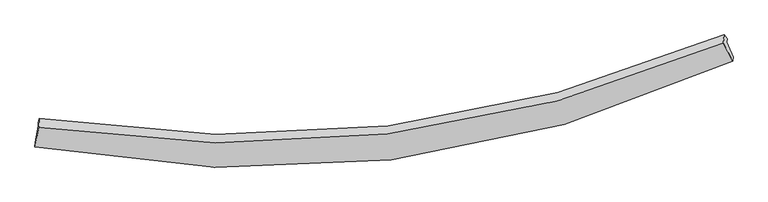
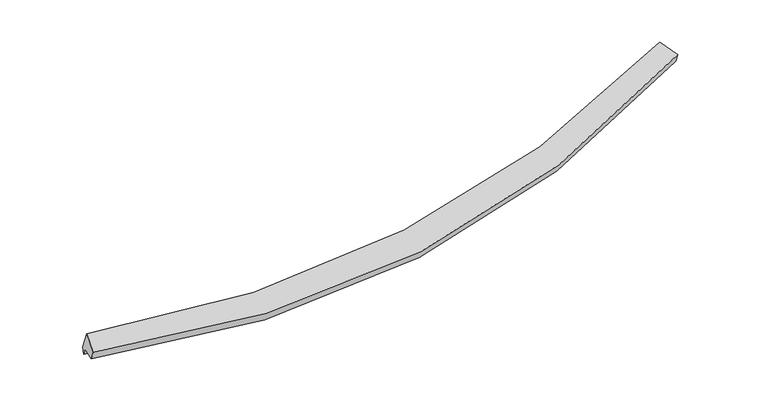
"""IFC4 building model written with IfcOpenShell, lengths in millimetres: proxy geometry."""

from ifc_helpers import new_model, si_unit, frame, origin, place, context, project, spatial, source, transform, mapped, element, save
from ifc_brep_helpers import plane_surface, spline_curve, spline_surface, advanced_brep


def generic_models_1987872d(model_context):
    return source(origin(), model_context, "Body", "AdvancedBrep", [
        advanced_brep(
        [(-6243.3807027, -2311.8928195, 1571.3977281), (-6191.8680671, -2012.8941839, 1569.6409143), (6090.9677724, -520.6842727, 2506.1095639), (6201.1653356, -782.4588055, 2526.3463461), (-6188.2562456, -1953.9399599, 1430.9019128), (6094.7920794, -458.2617396, 2359.2084715), (-6171.4990039, -1885.8668631, 1536.8457471), (6039.1350756, -387.4242064, 2475.6779882), (-6181.1664452, -2043.6643863, 1908.1960816), (6029.8173311, -539.5137789, 2833.5956061), (-6248.2557088, -2391.4654655, 1758.6587708), (6196.5707752, -857.4538565, 2702.8347769)],
        [
            (0, 1),
            (1, 2, spline_curve(3, [(-6191.8680671, -2012.8941839, 1569.6409143), (-4062.919440927, -2349.370594572, 1477.568535402), (-1978.212717339, -2394.677549165, 1508.88345735), (2116.673171602, -1901.270914084, 1819.346027623), (4126.24506187, -1358.560655224, 2100.187321996), (6090.9677724, -520.6842727, 2506.1095639)], [4, 2, 4], [0.0, 20.69716748551612, 41.53589821348474])),
            (2, 3),
            (3, 0, spline_curve(3, [(6201.1653356, -782.4588055, 2526.3463461), (4224.363723623, -1705.769200826, 2079.356151996), (2195.205103167, -2294.174066012, 1776.500353043), (-1953.685845088, -2799.450648711, 1460.135785003), (-4072.709236804, -2720.857120619, 1444.67537736), (-6243.3807027, -2311.8928195, 1571.3977281)], [4, 2, 4], [0.0, 20.838730727968624, 41.53589821348474])),
            (1, 4),
            (4, 5, spline_curve(3, [(-6188.2562456, -1953.9399599, 1430.9019128), (-4059.198561125, -2288.636264003, 1334.640348751), (-1974.419536283, -2332.763074009, 1363.177994618), (2120.537685262, -1838.192100123, 1670.900487183), (4130.108102296, -1295.505883906, 1951.798361458), (6094.7920794, -458.2617396, 2359.2084715)], [4, 2, 4], [0.0, 20.528903932478585, 41.198220228470745])),
            (5, 2),
            (4, 6),
            (6, 7, spline_curve(3, [(-6171.4990039, -1885.8668631, 1536.8457471), (-4053.078464619, -2216.793019128, 1439.948488731), (-1979.629596111, -2258.799528564, 1469.038374956), (2091.199056758, -1763.284429387, 1780.253122799), (4087.961547879, -1221.797034799, 2064.107316913), (6039.1350756, -387.4242064, 2475.6779882)], [4, 2, 4], [0.0, 20.471228413699023, 41.082474705364056])),
            (7, 5),
            (6, 8),
            (8, 9, spline_curve(3, [(-6181.1664452, -2043.6643863, 1908.1960816), (-4062.526647124, -2371.011675925, 1802.876553425), (-1988.93883248, -2410.750227252, 1826.629176752), (2082.007488164, -1913.314484334, 2133.324006755), (4078.747598951, -1372.192397531, 2418.037891963), (6029.8173311, -539.5137789, 2833.5956061)], [4, 2, 4], [0.0, 20.413607047034873, 40.96683785687458])),
            (9, 7),
            (8, 10),
            (10, 11, spline_curve(3, [(-6248.2557088, -2391.4654655, 1758.6587708), (-4077.321451103, -2796.14031776, 1621.841912101), (-1958.143003057, -2872.20294119, 1631.346255097), (2190.842905782, -2365.376354989, 1944.063146686), (4219.939952636, -1777.976529503, 2249.284140032), (6196.5707752, -857.4538565, 2702.8347769)], [4, 2, 4], [0.0, 20.639686372540446, 41.420542831670964])),
            (11, 9),
            (10, 0),
            (3, 11),
        ],
        [
            spline_surface(3, 3, [[(-6243.3807027, -2311.8928195, 1571.3977281), (-4072.709237132, -2720.857120751, 1444.675377651), (-1953.685844829, -2799.450648479, 1460.135784905), (2195.205102906, -2294.174066245, 1776.500353142), (4224.363723388, -1705.76920048, 2079.356151886), (6201.1653356, -782.4588055, 2526.3463461)], [(-6226.209824165, -2212.226607628, 1570.81212348), (-4069.445971665, -2597.028278582, 1455.639763482), (-1961.861469044, -2664.526282111, 1476.38500906), (2169.027792486, -2163.20634878, 1790.782244598), (4191.657502792, -1590.033018637, 2086.299875201), (6164.432814554, -695.200627898, 2519.600752028)], [(-6209.038945635, -2112.560395772, 1570.22651892), (-4066.182706202, -2473.199436429, 1466.604149372), (-1970.037093214, -2529.601915754, 1492.634233261), (2142.850482113, -2032.238631327, 1805.0641361), (4158.951282133, -1474.296836802, 2093.243598532), (6127.700293446, -607.942450302, 2512.855157972)], [(-6191.8680671, -2012.8941839, 1569.6409143), (-4062.919440734, -2349.37059426, 1477.568535203), (-1978.212717429, -2394.677549386, 1508.883457416), (2116.673171693, -1901.270913861, 1819.346027556), (4126.245061537, -1358.560654959, 2100.187321847), (6090.9677724, -520.6842727, 2506.1095639)]], [4, 4], [4, 2, 4], [0.0, 1.3278616273328288], [0.0, 20.69716748551612, 41.53589821348474]),
            spline_surface(3, 3, [[(-6191.8680671, -2012.8941839, 1569.6409143), (-4062.919440734, -2349.37059426, 1477.568535203), (-1978.212717429, -2394.677549386, 1508.883457416), (2116.673171693, -1901.270913861, 1819.346027556), (4126.245061537, -1358.560654959, 2100.187321847), (6090.9677724, -520.6842727, 2506.1095639)], [(-6190.664126583, -1993.242775904, 1523.394580497), (-4061.679147576, -2329.125817594, 1429.925806516), (-1976.948323794, -2374.03939089, 1460.314969751), (2117.961342997, -1880.244642618, 1769.864180824), (4127.532741855, -1337.542397869, 2050.724335096), (6092.242541393, -499.876761676, 2457.142533108)], [(-6189.460186117, -1973.591367896, 1477.148246603), (-4060.438854469, -2308.881040916, 1382.28307774), (-1975.683930209, -2353.401232445, 1411.746482098), (2119.249514251, -1859.218371425, 1720.382334102), (4128.820422195, -1316.524140752, 2001.26134832), (6093.517310407, -479.069250624, 2408.175502292)], [(-6188.2562456, -1953.9399599, 1430.9019128), (-4059.198561311, -2288.63626425, 1334.640349053), (-1974.419536573, -2332.76307395, 1363.177994433), (2120.537685555, -1838.192100182, 1670.90048737), (4130.108102513, -1295.505883662, 1951.798361569), (6094.7920794, -458.2617396, 2359.2084715)]], [4, 4], [4, 2, 4], [0.0, 0.5244720076652827], [0.0, 20.528903932478585, 41.198220228470745]),
            spline_surface(3, 3, [[(-6188.2562456, -1953.9399599, 1430.9019128), (-4059.198561311, -2288.63626425, 1334.640349053), (-1974.419536573, -2332.76307395, 1363.177994433), (2120.537685555, -1838.192100182, 1670.90048737), (4130.108102513, -1295.505883662, 1951.798361569), (6094.7920794, -458.2617396, 2359.2084715)], [(-6182.67049839, -1931.248927652, 1466.216524223), (-4057.158529136, -2264.688516007, 1369.74306229), (-1976.156223083, -2308.10855877, 1398.464787955), (2110.758142596, -1813.222876649, 1707.351365856), (4116.059250973, -1270.936267457, 1989.234680038), (6076.239744812, -434.649228526, 2398.031643727)], [(-6177.08475111, -1908.557895348, 1501.531135677), (-4055.118496889, -2240.740767709, 1404.845775557), (-1977.892909557, -2283.45404357, 1433.751581441), (2100.978599672, -1788.253653096, 1743.802244306), (4102.010399398, -1246.366651274, 2026.670998525), (6057.687410188, -411.036717474, 2436.854815973)], [(-6171.4990039, -1885.8668631, 1536.8457471), (-4053.078464714, -2216.793019466, 1439.948488794), (-1979.629596066, -2258.79952839, 1469.038374964), (2091.199056713, -1763.284429562, 1780.253122792), (4087.961547858, -1221.797035069, 2064.107316994), (6039.1350756, -387.4242064, 2475.6779882)]], [4, 4], [4, 2, 4], [0.0, 0.4330722716090651], [0.0, 20.471228413699023, 41.082474705364056]),
            spline_surface(3, 3, [[(-6171.4990039, -1885.8668631, 1536.8457471), (-4053.078464714, -2216.793019466, 1439.948488794), (-1979.629596066, -2258.79952839, 1469.038374964), (2091.199056713, -1763.284429562, 1780.253122792), (4087.961547858, -1221.797035069, 2064.107316994), (6039.1350756, -387.4242064, 2475.6779882)], [(-6174.721484306, -1938.466037508, 1660.629191926), (-4056.227858882, -2268.199238361, 1560.924510414), (-1982.732674872, -2309.44976135, 1588.235308901), (2088.135200564, -1813.294447816, 1897.943417459), (4084.890231538, -1271.928822511, 2182.084175276), (6036.029160771, -438.120730566, 2594.983860823)], [(-6177.943964794, -1991.065211892, 1784.412636774), (-4059.377253132, -2319.605457233, 1681.900532057), (-1985.835753727, -2360.099994305, 1707.432242808), (2085.071344365, -1863.304466066, 2015.633712095), (4081.818915206, -1322.060609955, 2300.061033589), (6032.923245929, -488.817254734, 2714.289733477)], [(-6181.1664452, -2043.6643863, 1908.1960816), (-4062.526647301, -2371.011676129, 1802.876553677), (-1988.938832532, -2410.750227266, 1826.629176745), (2082.007488217, -1913.31448432, 2133.324006762), (4078.747598886, -1372.192397397, 2418.037891872), (6029.8173311, -539.5137789, 2833.5956061)]], [4, 4], [4, 2, 4], [0.0, 1.2669770740653459], [0.0, 20.413607047034873, 40.96683785687458]),
            spline_surface(3, 3, [[(-6181.1664452, -2043.6643863, 1908.1960816), (-4062.526647301, -2371.011676129, 1802.876553677), (-1988.938832532, -2410.750227266, 1826.629176745), (2082.007488217, -1913.31448432, 2133.324006762), (4078.747598886, -1372.192397397, 2418.037891872), (6029.8173311, -539.5137789, 2833.5956061)], [(-6203.529533068, -2159.598079363, 1858.350311333), (-4067.458248464, -2512.721223308, 1742.531673261), (-1978.673556005, -2564.567798456, 1761.534869401), (2118.285960643, -2064.001774655, 2070.237053496), (4125.811716694, -1507.45377465, 2361.786641269), (6085.401812447, -645.493804751, 2790.008663039)], [(-6225.892620932, -2275.531772437, 1808.504541067), (-4072.389849625, -2654.430770498, 1682.186792846), (-1968.40827939, -2718.385369656, 1696.440562111), (2154.564433159, -2214.689064999, 2007.150100284), (4172.875834561, -1642.71515195, 2305.535390649), (6140.986293853, -751.473830649, 2746.421719961)], [(-6248.2557088, -2391.4654655, 1758.6587708), (-4077.321450788, -2796.140317678, 1621.84191243), (-1958.143002863, -2872.202940847, 1631.346254767), (2190.842905586, -2365.376355334, 1944.063147018), (4219.939952369, -1777.976529204, 2249.284140046), (6196.5707752, -857.4538565, 2702.8347769)]], [4, 4], [4, 2, 4], [0.0, 1.641956058120716], [0.0, 20.639686372540446, 41.420542831670964]),
            spline_surface(3, 3, [[(-6248.2557088, -2391.4654655, 1758.6587708), (-4077.321450788, -2796.140317678, 1621.84191243), (-1958.143002863, -2872.202940847, 1631.346254767), (2190.842905586, -2365.376355334, 1944.063147018), (4219.939952369, -1777.976529204, 2249.284140046), (6196.5707752, -857.4538565, 2702.8347769)], [(-6246.630706788, -2364.941250146, 1696.238423241), (-4075.784046257, -2771.045918681, 1562.786400845), (-1956.657283495, -2847.952176741, 1574.276098162), (2192.296971383, -2341.642258987, 1888.208882408), (4221.414542699, -1753.907419646, 2192.641477333), (6198.102295323, -832.455506183, 2644.005299974)], [(-6245.005704712, -2338.417034854, 1633.818075659), (-4074.246641663, -2745.951519747, 1503.730889236), (-1955.171564197, -2823.701412586, 1517.205941511), (2193.751037109, -2317.908162592, 1832.354617752), (4222.889133059, -1729.838310038, 2135.998814599), (6199.633815477, -807.457155817, 2585.175823026)], [(-6243.3807027, -2311.8928195, 1571.3977281), (-4072.709237132, -2720.857120751, 1444.675377651), (-1953.685844829, -2799.450648479, 1460.135784905), (2195.205102906, -2294.174066245, 1776.500353142), (4224.363723388, -1705.76920048, 2079.356151886), (6201.1653356, -782.4588055, 2526.3463461)]], [4, 4], [4, 2, 4], [0.0, 0.6039516543563561], [0.0, 20.867305363643425, 41.8773376685744]),
            plane_surface(frame((6108.7413949, -590.9661099, 2567.2954588), z_axis=(0.8994206967411776, 0.39335509701591304, 0.19056279260447545), x_axis=(0.43642716295449985, -0.8321128647992605, -0.34222728072299297))),
            plane_surface(frame((-6204.0710289, -2099.9539464, 1629.2735258), z_axis=(-0.9843672648670102, 0.16986411570980153, 0.046553947763519524), x_axis=(-0.02395290606817912, -0.39097307821288124, 0.9200903816493428))),
        ],
        [
            (0, [[1, 2, 3, 4]]),
            (1, [[5, 6, 7, -2]]),
            (2, [[8, 9, 10, -6]]),
            (3, [[11, 12, 13, -9]]),
            (4, [[14, 15, 16, -12]]),
            (5, [[17, -4, 18, -15]]),
            (6, [[-16, -18, -3, -7, -10, -13]]),
            (7, [[-17, -14, -11, -8, -5, -1]]),
        ],
    ),
    ])


if __name__ == "__main__":
    model = new_model("IFC4")
    model_context = context("Model", 3, world=origin())
    ifc_project = project(units=[si_unit("LENGTHUNIT", "METRE", prefix="MILLI")], contexts=[model_context])
    site = spatial("IfcSite", under=ifc_project)
    building = spatial("IfcBuilding", under=site)
    placement = place(None, origin())
    generic_models_shape = generic_models_1987872d(model_context)
    element("IfcBuildingElementProxy", 1, Name="Generic Models", at=placement, inside=building, context=model_context, shape_type="MappedRepresentation", body=[
        mapped(generic_models_shape, transform((0.0, 0.0, 0.0), x_axis=(1.0, 0.0, 0.0), y_axis=(0.0, 1.0, 0.0), z_axis=(0.0, 0.0, 1.0))),
    ])
    save(model, "model.ifc")
